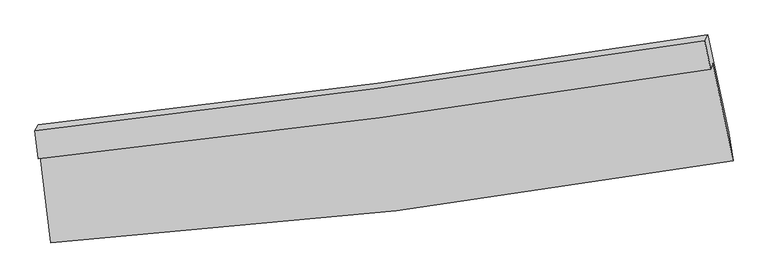
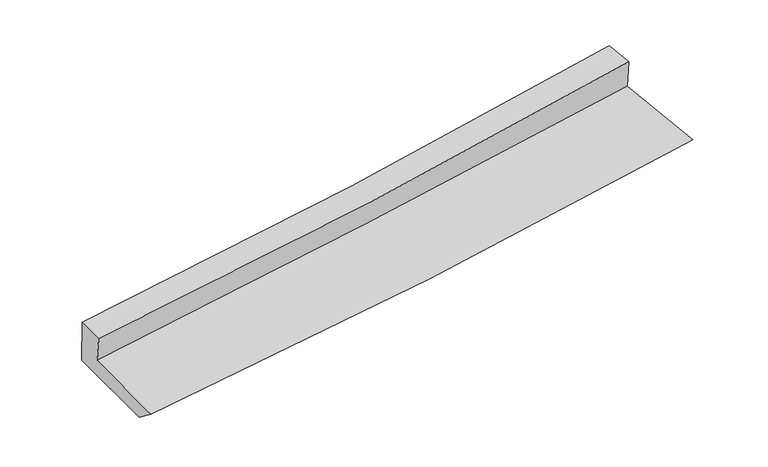
"""IFC4 building model written with IfcOpenShell, lengths in millimetres: proxy geometry."""

from ifc_helpers import new_model, si_unit, frame, origin, place, context, project, spatial, source, transform, mapped, element, save
from ifc_brep_helpers import plane_surface, spline_curve, spline_surface, advanced_brep


def generic_models_7817aabe(model_context):
    return source(origin(), model_context, "Body", "AdvancedBrep", [
        advanced_brep(
        [(-2294.265586, -1806.6329164, 1787.2947937), (-2222.3602226, -2413.2501071, 1679.270366), (2358.4903303, -1862.4810112, 2025.0774055), (2221.032119, -1208.4830608, 2121.561781), (-2305.1412058, -1848.780915, 1992.7518183), (2208.2700825, -1249.8818837, 2352.4610449), (-2327.4129712, -1659.750051, 2024.6023329), (2167.7962206, -1058.6096664, 2383.6829647), (-2305.668953, -1620.0640221, 1676.7924614), (2189.4572506, -1018.1663509, 2056.59393), (-2229.3935684, -2267.4487976, 1567.7121886), (2328.9763683, -1673.0277896, 1939.2288445)],
        [
            (0, 1),
            (1, 2, spline_curve(3, [(-2222.3602226, -2413.2501071, 1679.270366), (-1447.062976107, -2363.451785233, 1742.748619744), (-673.446253366, -2291.904909021, 1803.596807292), (853.430746944, -2107.36809504, 1918.751285168), (1606.764208324, -1995.325272452, 1973.172110873), (2358.4903303, -1862.4810112, 2025.0774055)], [4, 2, 4], [0.0, 7.626543766128969, 15.085177092280496])),
            (2, 3),
            (3, 0, spline_curve(3, [(2221.032119, -1208.4830608, 2121.561781), (1479.43493669, -1326.640193272, 2070.188914449), (736.5641211, -1435.118699418, 2016.977647677), (-768.477123585, -1634.942664419, 1905.639023172), (-1530.705543333, -1725.847443605, 1847.427960948), (-2294.265586, -1806.6329164, 1787.2947937)], [4, 2, 4], [0.0, 7.458633326151527, 15.085177092280496])),
            (4, 0),
            (3, 5),
            (5, 4, spline_curve(3, [(2208.2700825, -1249.8818837, 2352.4610449), (1468.113063436, -1367.067852142, 2281.971010586), (726.124066217, -1475.116420501, 2217.021514319), (-778.26295081, -1675.16546809, 2096.866171396), (-1540.744382978, -1766.749910099, 2041.912591755), (-2305.1412058, -1848.780915, 1992.7518183)], [4, 2, 4], [0.0, 7.409132309178552, 14.985060680247326])),
            (6, 4),
            (5, 7),
            (7, 6, spline_curve(3, [(2167.7962206, -1058.6096664, 2383.6829647), (1430.934345306, -1174.363458045, 2313.628552675), (692.094520755, -1281.870611854, 2248.950515406), (-806.2184848, -1482.626219937, 2129.012178565), (-1565.781723935, -1575.499194154, 2073.996671819), (-2327.4129712, -1659.750051, 2024.6023329)], [4, 2, 4], [0.0, 7.395004258780841, 14.956486525586731])),
            (8, 6),
            (7, 9),
            (9, 8, spline_curve(3, [(2189.4572506, -1018.1663509, 2056.59393), (1452.751591779, -1135.356289166, 1983.891352637), (713.997507389, -1243.65121926, 1916.185984356), (-784.284626204, -1444.688777266, 1789.357965584), (-1543.905943152, -1537.026404183, 1730.462844233), (-2305.668953, -1620.0640221, 1676.7924614)], [4, 2, 4], [0.0, 7.381946138430072, 14.930076317527165])),
            (10, 8),
            (9, 11),
            (11, 10, spline_curve(3, [(2328.9763683, -1673.0277896, 1939.2288445), (1581.095973638, -1796.382219265, 1865.461040499), (831.538690789, -1907.184440816, 1797.892247735), (-687.841603905, -2105.896294506, 1673.771113458), (-1457.740966775, -2193.234408843, 1617.501021219), (-2229.3935684, -2267.4487976, 1567.7121886)], [4, 2, 4], [0.0, 7.4331211042355, 15.033578311539868])),
            (1, 10),
            (11, 2),
        ],
        [
            spline_surface(3, 3, [[(-2294.265586, -1806.6329164, 1787.2947937), (-1530.705543284, -1725.847443545, 1847.427960858), (-768.477123681, -1634.942664501, 1905.639023219), (736.564121194, -1435.118699337, 2016.977647631), (1479.434936629, -1326.640193161, 2070.18891442), (2221.032119, -1208.4830608, 2121.561781)], [(-2270.297131556, -2008.838646636, 1751.286651134), (-1502.824687551, -1938.382224122, 1812.53484719), (-736.800166873, -1853.930079377, 1871.624951254), (775.519663081, -1659.201831204, 1984.235526818), (1521.878027213, -1549.535219582, 2037.84997993), (2266.85152276, -1426.482377596, 2089.400322511)], [(-2246.328677044, -2211.044376864, 1715.278508566), (-1474.943831751, -2150.91700469, 1777.64173352), (-705.123210075, -2072.917494251, 1837.610879261), (814.475204959, -1883.284963069, 1951.493405977), (1564.321117817, -1772.430246014, 2005.511045406), (2312.67092654, -1644.481694404, 2057.238863989)], [(-2222.3602226, -2413.2501071, 1679.270366), (-1447.062976018, -2363.451785266, 1742.748619852), (-673.446253266, -2291.904909127, 1803.596807296), (853.430746847, -2107.368094936, 1918.751285164), (1606.764208401, -1995.325272435, 1973.172110916), (2358.4903303, -1862.4810112, 2025.0774055)]], [4, 4], [4, 2, 4], [0.0, 2.231642232808238], [0.0, 7.626543766128969, 15.085177092280496]),
            spline_surface(3, 3, [[(-2305.1412058, -1848.780915, 1992.7518183), (-1540.744383076, -1766.749910181, 2041.912591757), (-778.262950876, -1675.165468137, 2096.866171271), (726.124066282, -1475.116420455, 2217.021514441), (1468.113063533, -1367.067852039, 2281.971010493), (2208.2700825, -1249.8818837, 2352.4610449)], [(-2301.515999201, -1834.731582149, 1924.266143444), (-1537.398103146, -1753.115754651, 1977.084381468), (-775.001008464, -1661.757866923, 2033.123788591), (729.6040846, -1461.783846747, 2150.340225508), (1471.88702122, -1353.591965757, 2211.37697847), (2212.524094655, -1236.082276078, 2275.494623602)], [(-2297.890792599, -1820.682249251, 1855.780468556), (-1534.051823214, -1739.481599075, 1912.256171147), (-771.739066093, -1648.350265715, 1969.381405899), (733.084102876, -1448.451273045, 2083.658936564), (1475.660978941, -1340.116079442, 2140.782946443), (2216.778106845, -1222.282668422, 2198.528202298)], [(-2294.265586, -1806.6329164, 1787.2947937), (-1530.705543284, -1725.847443545, 1847.427960858), (-768.477123681, -1634.942664501, 1905.639023219), (736.564121194, -1435.118699337, 2016.977647631), (1479.434936629, -1326.640193161, 2070.18891442), (2221.032119, -1208.4830608, 2121.561781)]], [4, 4], [4, 2, 4], [0.0, 0.6557342664448643], [0.0, 7.575928371068774, 14.985060680247326]),
            spline_surface(3, 3, [[(-2327.4129712, -1659.750051, 2024.6023329), (-1565.781724034, -1575.499194073, 2073.996671724), (-806.218484726, -1482.626219867, 2129.012178477), (692.094520683, -1281.870611922, 2248.950515492), (1430.934345329, -1174.363457941, 2313.628552674), (2167.7962206, -1058.6096664, 2383.6829647)], [(-2319.989049399, -1722.760338972, 2013.985494716), (-1557.435943714, -1639.249432747, 2063.301978418), (-796.899973438, -1546.805969299, 2118.296842744), (703.437702553, -1346.285881441, 2238.307515144), (1443.327251399, -1238.598255966, 2303.076038614), (2181.287507902, -1122.367072159, 2373.275658101)], [(-2312.565127601, -1785.770627028, 2003.368656484), (-1549.090163396, -1702.999671507, 2052.607285064), (-787.581462164, -1610.985718706, 2107.581507004), (714.780884411, -1410.701150936, 2227.664514789), (1455.720157463, -1302.833054014, 2292.523524552), (2194.778795198, -1186.124477941, 2362.868351499)], [(-2305.1412058, -1848.780915, 1992.7518183), (-1540.744383076, -1766.749910181, 2041.912591757), (-778.262950876, -1675.165468137, 2096.866171271), (726.124066282, -1475.116420455, 2217.021514441), (1468.113063533, -1367.067852039, 2281.971010493), (2208.2700825, -1249.8818837, 2352.4610449)]], [4, 4], [4, 2, 4], [0.0, 0.6494676785720936], [0.0, 7.56148226680589, 14.956486525586731]),
            spline_surface(3, 3, [[(-2305.668953, -1620.0640221, 1676.7924614), (-1543.905943135, -1537.026404112, 1730.462844352), (-784.284626327, -1444.688777235, 1789.357965608), (713.99750751, -1243.65121929, 1916.185984332), (1452.751591854, -1135.356289143, 1983.891352606), (2189.4572506, -1018.1663509, 2056.59393)], [(-2312.916959041, -1633.292698408, 1792.729085212), (-1551.197870075, -1549.85066744, 1844.974120121), (-791.59591245, -1457.334591434, 1902.576036561), (706.696511911, -1256.391016823, 2027.107494715), (1445.479176337, -1148.358678765, 2093.803752604), (2182.236907258, -1031.647456089, 2165.623608209)], [(-2320.164965159, -1646.521374692, 1908.665709088), (-1558.489797093, -1562.674930744, 1959.485395955), (-798.907198603, -1469.980405668, 2015.794107525), (699.395516282, -1269.130814389, 2138.029005109), (1438.206760846, -1161.361068319, 2203.716152676), (2175.016563942, -1045.128561211, 2274.653286491)], [(-2327.4129712, -1659.750051, 2024.6023329), (-1565.781724034, -1575.499194073, 2073.996671724), (-806.218484726, -1482.626219867, 2129.012178477), (692.094520683, -1281.870611922, 2248.950515492), (1430.934345329, -1174.363457941, 2313.628552674), (2167.7962206, -1058.6096664, 2383.6829647)]], [4, 4], [4, 2, 4], [0.0, 1.1126768510975784], [0.0, 7.548130179097093, 14.930076317527165]),
            spline_surface(3, 3, [[(-2229.3935684, -2267.4487976, 1567.7121886), (-1457.740966805, -2193.234408952, 1617.501021192), (-687.841603939, -2105.896294547, 1673.771113569), (831.538690821, -1907.184440776, 1797.892247626), (1581.09597352, -1796.382219217, 1865.461040513), (2328.9763683, -1673.0277896, 1939.2288445)], [(-2254.818696598, -2051.653872428, 1604.07227955), (-1486.462625579, -1974.498407333, 1655.154962263), (-719.98927807, -1885.493788773, 1712.300064242), (792.358296382, -1686.006700278, 1837.323493189), (1538.31451299, -1576.040242517, 1904.937811212), (2282.469995759, -1454.740643358, 1978.350539668)], [(-2280.243824802, -1835.858947272, 1640.43237045), (-1515.184284361, -1755.762405731, 1692.808903282), (-752.136952196, -1665.091283008, 1750.829014934), (753.177901949, -1464.828959789, 1876.754738769), (1495.533052383, -1355.698265843, 1944.414581907), (2235.963623141, -1236.453497142, 2017.472234832)], [(-2305.668953, -1620.0640221, 1676.7924614), (-1543.905943135, -1537.026404112, 1730.462844352), (-784.284626327, -1444.688777235, 1789.357965608), (713.99750751, -1243.65121929, 1916.185984332), (1452.751591854, -1135.356289143, 1983.891352606), (2189.4572506, -1018.1663509, 2056.59393)]], [4, 4], [4, 2, 4], [0.0, 2.2342577377183934], [0.0, 7.600457207304368, 15.033578311539868]),
            spline_surface(3, 3, [[(-2222.3602226, -2413.2501071, 1679.270366), (-1447.062976018, -2363.451785266, 1742.748619852), (-673.446253266, -2291.904909127, 1803.596807296), (853.430746847, -2107.368094936, 1918.751285164), (1606.764208401, -1995.325272435, 1973.172110916), (2358.4903303, -1862.4810112, 2025.0774055)], [(-2224.704671206, -2364.649670608, 1642.084306844), (-1450.622306286, -2306.712659836, 1700.999420276), (-678.24470352, -2229.902037607, 1760.321576048), (846.133394809, -2040.640210223, 1878.464939313), (1598.208130106, -1929.010921349, 1937.268420791), (2348.652342965, -1799.32993732, 1996.46121851)], [(-2227.049119794, -2316.049234092, 1604.898247756), (-1454.181636537, -2249.973534382, 1659.250220768), (-683.043153685, -2167.899166066, 1717.046344817), (838.836042859, -1973.912325489, 1838.178593478), (1589.652051816, -1862.696570304, 1901.364730638), (2338.814355635, -1736.17886348, 1967.84503149)], [(-2229.3935684, -2267.4487976, 1567.7121886), (-1457.740966805, -2193.234408952, 1617.501021192), (-687.841603939, -2105.896294547, 1673.771113569), (831.538690821, -1907.184440776, 1797.892247626), (1581.09597352, -1796.382219217, 1865.461040513), (2328.9763683, -1673.0277896, 1939.2288445)]], [4, 4], [4, 2, 4], [0.0, 0.7573346873807953], [0.0, 7.664190585070541, 15.159641875819382]),
            plane_surface(frame((2245.6703952, -1345.1082938, 2146.4343284), z_axis=(0.9773253859840679, 0.19235826706227474, 0.08850642351768215), x_axis=(-0.06558166768972441, -0.12244755114263085, 0.9903058326003172))),
            plane_surface(frame((-2280.7070845, -1935.9878015, 1788.0706602), z_axis=(-0.9917849709490417, -0.10439858187258899, -0.07391554303798878), x_axis=(-0.11591247213823147, 0.9778755708536401, 0.17413691949288432))),
        ],
        [
            (0, [[1, 2, 3, 4]]),
            (1, [[5, -4, 6, 7]]),
            (2, [[8, -7, 9, 10]]),
            (3, [[11, -10, 12, 13]]),
            (4, [[14, -13, 15, 16]]),
            (5, [[17, -16, 18, -2]]),
            (6, [[-12, -9, -6, -3, -18, -15]]),
            (7, [[-1, -5, -8, -11, -14, -17]]),
        ],
    ),
    ])


if __name__ == "__main__":
    model = new_model("IFC4")
    model_context = context("Model", 3, world=origin())
    ifc_project = project(units=[si_unit("LENGTHUNIT", "METRE", prefix="MILLI")], contexts=[model_context])
    site = spatial("IfcSite", under=ifc_project)
    building = spatial("IfcBuilding", under=site)
    placement = place(None, origin())
    generic_models_shape = generic_models_7817aabe(model_context)
    element("IfcBuildingElementProxy", 1, Name="Generic Models", at=placement, inside=building, context=model_context, shape_type="MappedRepresentation", body=[
        mapped(generic_models_shape, transform((0.0, 0.0, 0.0), x_axis=(1.0, 0.0, 0.0), y_axis=(0.0, 1.0, 0.0), z_axis=(0.0, 0.0, 1.0))),
    ])
    save(model, "model.ifc")
